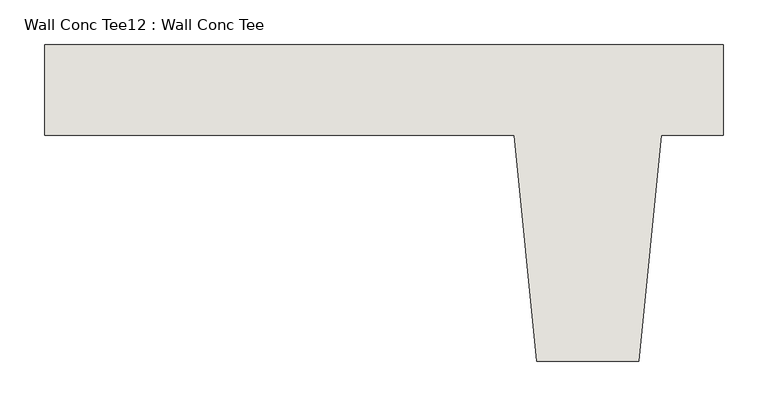
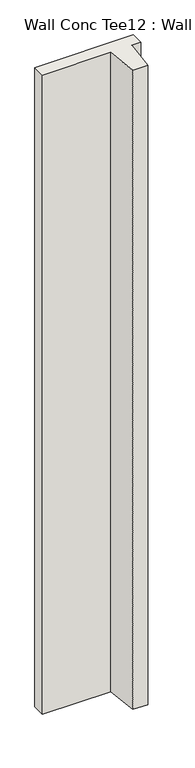
"""IFC4 building model written with IfcOpenShell, lengths in millimetres: wall geometry, Wall Conc Tee12 : Wall Conc Tee."""

from ifc_helpers import new_model, si_unit, frame, origin, place, context, project, spatial, polyline, outline, extrude, source, transform, mapped, element, save


def wall_conc_tee12_wall_conc_tee_00c45142(model_context):
    return source(origin(), model_context, "Body", "SweptSolid", [
        extrude(outline(polyline([(235319.0728488, 159042.8596581), (235319.0728488, 158941.2596581), (235249.2228488, 158941.2596581), (235223.8228488, 158687.2596581), (235109.5228488, 158687.2596581), (235084.1228488, 158941.2596581), (234557.0728488, 158941.2596581), (234557.0728488, 159042.8596581), (235319.0728488, 159042.8596581)])), frame((0.0, 0.0, 143.7592564), z_axis=(0.0, 0.0, 1.0), x_axis=(1.0, 0.0, 0.0)), (0.0, 0.0, 1.0), 5232.4087123),
    ])


if __name__ == "__main__":
    model = new_model("IFC4")
    model_context = context("Model", 3, world=origin())
    ifc_project = project(units=[si_unit("LENGTHUNIT", "METRE", prefix="MILLI")], contexts=[model_context])
    site = spatial("IfcSite", under=ifc_project)
    building = spatial("IfcBuilding", under=site)
    placement = place(None, origin())
    wall_conc_tee12_wall_conc_tee_shape = wall_conc_tee12_wall_conc_tee_00c45142(model_context)
    element("IfcWall", 1, ObjectType="Wall Conc Tee12 : Wall Conc Tee", at=placement, inside=building, context=model_context, shape_type="MappedRepresentation", body=[
        mapped(wall_conc_tee12_wall_conc_tee_shape, transform((0.0, 0.0, 0.0), x_axis=(1.0, 0.0, 0.0), y_axis=(0.0, 1.0, 0.0), z_axis=(0.0, 0.0, 1.0))),
    ])
    save(model, "model.ifc")
